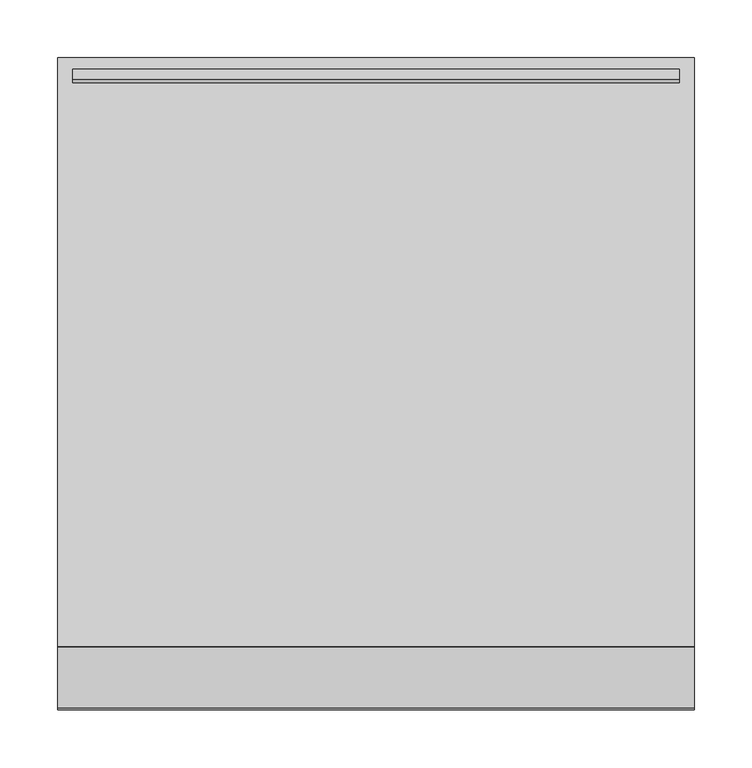
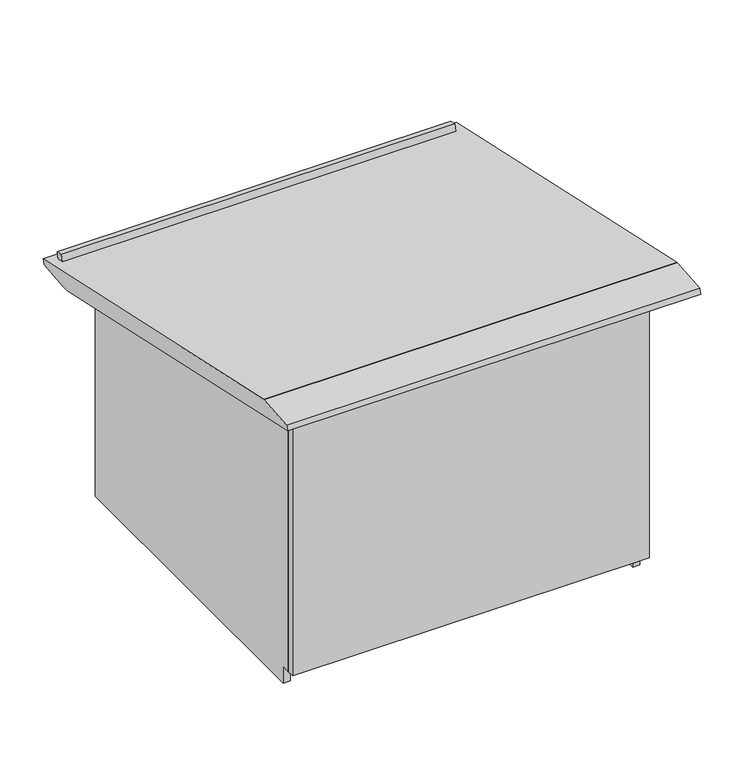
"""IFC4 building model written with IfcOpenShell, lengths in millimetres: furniture geometry."""

from ifc_helpers import new_model, si_unit, frame, origin, place, context, project, spatial, polyline, outline, extrude, source, transform, mapped, element, save


def furniture_613ae0bc(model_context):
    return source(origin(), model_context, "Body", "SweptSolid", [
        extrude(outline(polyline([(-92.0634797, 893.8157671), (-92.0634797, 1023.0221859), (-82.5634782, 1020.949386), (-82.5634782, 893.8157671), (-92.0634797, 893.8157671)])), frame((-504.9999893, 0.0, 0.0), z_axis=(1.0, 0.0, 0.0), x_axis=(0.0, 1.0, 0.0)), (0.0, 0.0, 1.0), 457.9999875),
        extrude(outline(polyline([(-504.9999893, -170.3634787), (-504.9999893, -132.3634817), (-47.0000018, -132.3634817), (-47.0000018, -170.3634787), (-504.9999893, -170.3634787)])), frame((0.0, 0.0, 902.3999815), z_axis=(0.0, 0.0, 1.0), x_axis=(1.0, 0.0, 0.0)), (0.0, 0.0, 1.0), 9.5000015),
        extrude(outline(polyline([(-504.9999893, -424.3634908), (-504.9999893, -386.3634847), (-47.0000018, -386.3634847), (-47.0000018, -424.3634908), (-504.9999893, -424.3634908)])), frame((0.0, 0.0, 902.3999815), z_axis=(0.0, 0.0, 1.0), x_axis=(1.0, 0.0, 0.0)), (0.0, 0.0, 1.0), 9.5000015),
        extrude(outline(polyline([(-502.5634778, 1112.5889471), (-502.5634778, 734.7999403), (-512.0634793, 734.7999403), (-512.0634793, 1114.6617471), (-502.5634778, 1112.5889471)])), frame((-514.4999908, 0.0, 0.0), z_axis=(1.0, 0.0, 0.0), x_axis=(0.0, 1.0, 0.0)), (0.0, 0.0, 1.0), 476.9999906),
        extrude(outline(polyline([(-10.0982543, 1037.948579), (-12.4414475, 1029.2036307), (-21.7333272, 1031.2310556), (-19.2745497, 1040.4073679), (-10.0982543, 1037.948579)])), frame((-538.9999909, 0.0, 0.0), z_axis=(1.0, 0.0, 0.0), x_axis=(0.0, 1.0, 0.0)), (0.0, 0.0, 1.0), 525.999985),
        extrude(outline(polyline([(-55.0797401, 711.2), (-490.0634777, 711.2), (-490.0634777, 734.7999403), (-502.5797372, 734.7999403), (-502.5797372, 1112.5924948), (-55.0797401, 1014.9527248), (-55.0797401, 711.2)])), frame((-47.0000018, 0.0, 0.0), z_axis=(1.0, 0.0, 0.0), x_axis=(0.0, 1.0, 0.0)), (0.0, 0.0, 1.0), 9.5000015),
        extrude(outline(polyline([(-510.4918092, 1137.8748283), (0.0, 1026.4889915), (-1.8450418, 1019.60322), (-46.0420435, 1014.9579279), (-55.1035868, 1014.9579279), (-565.5552724, 1126.333091), (-563.6880331, 1133.3017937), (-511.4175044, 1137.8748283), (-510.4918092, 1137.8748283)])), frame((-551.9999911, 0.0, 0.0), z_axis=(1.0, 0.0, 0.0), x_axis=(0.0, 1.0, 0.0)), (0.0, 0.0, 1.0), 551.9999911),
        extrude(outline(polyline([(-55.0634807, 711.2), (-490.0634777, 711.2), (-490.0634777, 734.7999403), (-502.5634778, 734.7999403), (-502.5634778, 1112.5889471), (-55.0634807, 1014.9491772), (-55.0634807, 711.2)])), frame((-514.4999908, 0.0, 0.0), z_axis=(1.0, 0.0, 0.0), x_axis=(0.0, 1.0, 0.0)), (0.0, 0.0, 1.0), 9.5000015),
    ])


if __name__ == "__main__":
    model = new_model("IFC4")
    model_context = context("Model", 3, world=origin())
    ifc_project = project(units=[si_unit("LENGTHUNIT", "METRE", prefix="MILLI")], contexts=[model_context])
    site = spatial("IfcSite", under=ifc_project)
    building = spatial("IfcBuilding", under=site)
    placement = place(None, origin())
    furniture_shape = furniture_613ae0bc(model_context)
    element("IfcFurniture", 1, at=placement, inside=building, context=model_context, shape_type="MappedRepresentation", body=[
        mapped(furniture_shape, transform((0.0, 0.0, 0.0), x_axis=(1.0, 0.0, 0.0), y_axis=(0.0, 1.0, 0.0), z_axis=(0.0, 0.0, 1.0))),
    ])
    save(model, "model.ifc")
